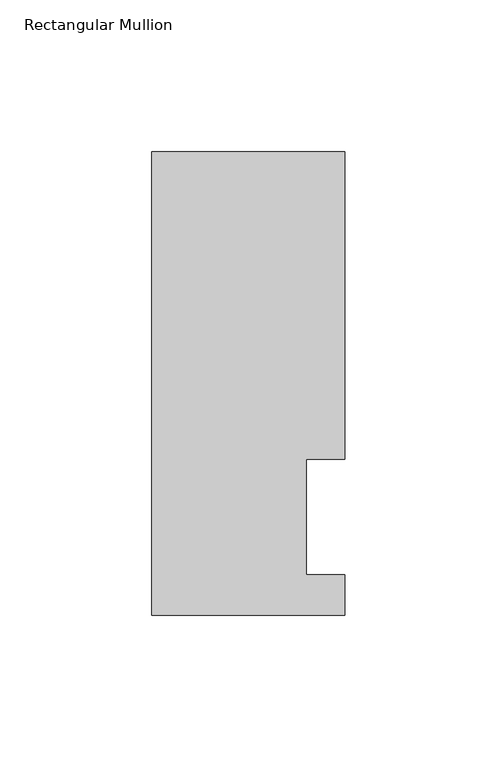
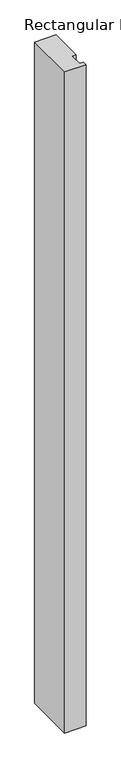
"""IFC4 building model written with IfcOpenShell, lengths in millimetres: member geometry, Rectangular Mullion."""

from ifc_helpers import new_model, si_unit, frame, origin, place, context, project, spatial, polyline, outline, extrude, source, transform, mapped, element, save


def rectangular_mullion_ec8afeae(model_context):
    return source(origin(), model_context, "Body", "SweptSolid", [
        extrude(outline(polyline([(19.0499998, 51.2960937), (19.0499998, 13.1960938), (31.7499998, 13.1960938), (31.7499998, 0.0134938), (-31.7500003, 0.0134938), (-31.7500003, 152.4896938), (31.7499998, 152.4896938), (31.7499998, 51.2960938), (19.0499998, 51.2960937)])), frame((0.0, 0.0, -2057.4), z_axis=(0.0, 0.0, 1.0), x_axis=(1.0, 0.0, 0.0)), (0.0, 0.0, 1.0), 2057.4),
    ])


if __name__ == "__main__":
    model = new_model("IFC4")
    model_context = context("Model", 3, world=origin())
    ifc_project = project(units=[si_unit("LENGTHUNIT", "METRE", prefix="MILLI")], contexts=[model_context])
    site = spatial("IfcSite", under=ifc_project)
    building = spatial("IfcBuilding", under=site)
    placement = place(None, origin())
    rectangular_mullion_shape = rectangular_mullion_ec8afeae(model_context)
    element("IfcMember", 1, ObjectType="Rectangular Mullion", at=placement, inside=building, context=model_context, shape_type="MappedRepresentation", body=[
        mapped(rectangular_mullion_shape, transform((0.0, 0.0, 0.0), x_axis=(1.0, 0.0, 0.0), y_axis=(0.0, 1.0, 0.0), z_axis=(0.0, 0.0, 1.0))),
    ])
    save(model, "model.ifc")
